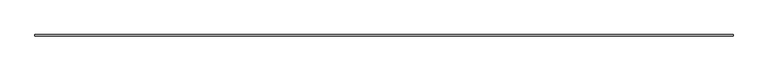
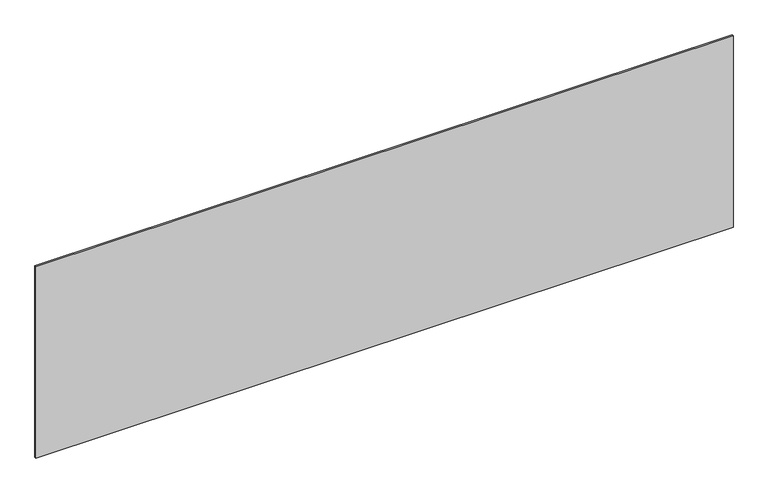
"""IFC4 building model written with IfcOpenShell, lengths in millimetres: plate geometry."""

from ifc_helpers import new_model, si_unit, origin, origin_with_axes, place, context, project, spatial, polyline, outline, extrude, source, transform, mapped, element, save


def plate_f34dc8c5(model_context):
    return source(origin(), model_context, "Body", "SweptSolid", [
        extrude(outline(polyline([(2206.6666667, -5.0), (-2206.6666667, -5.0), (-2206.6666667, 5.0), (2206.6666667, 5.0), (2206.6666667, -5.0)])), origin_with_axes(), (0.0, 0.0, 1.0), 1280.202493),
    ])


if __name__ == "__main__":
    model = new_model("IFC4")
    model_context = context("Model", 3, world=origin())
    ifc_project = project(units=[si_unit("LENGTHUNIT", "METRE", prefix="MILLI")], contexts=[model_context])
    site = spatial("IfcSite", under=ifc_project)
    building = spatial("IfcBuilding", under=site)
    placement = place(None, origin())
    plate_shape = plate_f34dc8c5(model_context)
    element("IfcPlate", 1, at=placement, inside=building, context=model_context, shape_type="MappedRepresentation", body=[
        mapped(plate_shape, transform((0.0, 0.0, 0.0), x_axis=(1.0, 0.0, 0.0), y_axis=(0.0, 1.0, 0.0), z_axis=(0.0, 0.0, 1.0))),
    ])
    save(model, "model.ifc")
